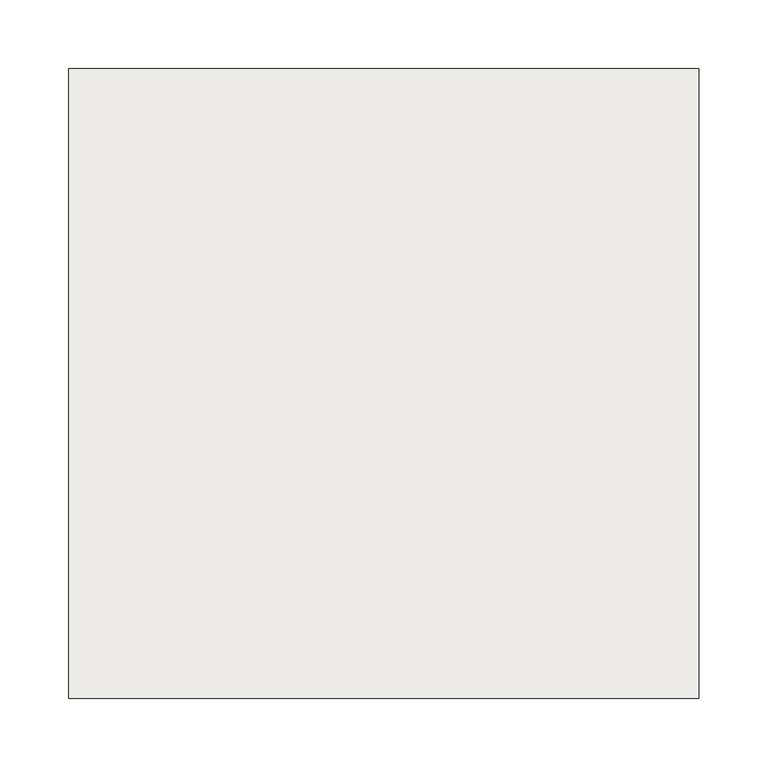
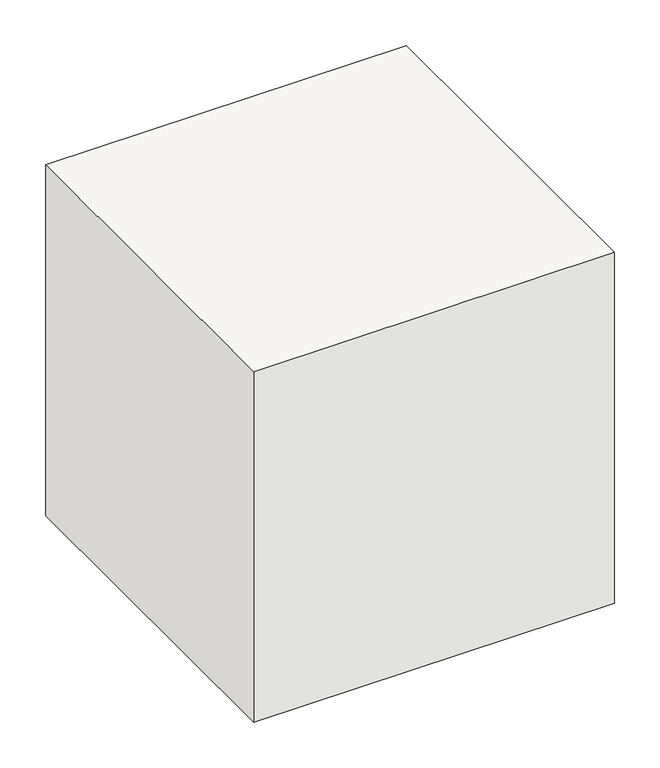
"""IFC4 building model written with IfcOpenShell, lengths in millimetres: slab geometry."""

from ifc_helpers import new_model, si_unit, frame, origin, place, context, project, spatial, polyline, outline, extrude, source, transform, mapped, element, save


def slab_1b3f2835(model_context):
    return source(origin(), model_context, "Body", "SweptSolid", [
        extrude(outline(polyline([(3243.1551397, -9742.2498715), (2785.9551397, -9742.2498715), (2785.9551397, -9285.0498715), (3243.1551397, -9285.0498715), (3243.1551397, -9742.2498715)])), frame((0.0, 0.0, -609.6), z_axis=(0.0, 0.0, 1.0), x_axis=(1.0, 0.0, 0.0)), (0.0, 0.0, 1.0), 469.9),
    ])


if __name__ == "__main__":
    model = new_model("IFC4")
    model_context = context("Model", 3, world=origin())
    ifc_project = project(units=[si_unit("LENGTHUNIT", "METRE", prefix="MILLI")], contexts=[model_context])
    site = spatial("IfcSite", under=ifc_project)
    building = spatial("IfcBuilding", under=site)
    placement = place(None, origin())
    slab_shape = slab_1b3f2835(model_context)
    element("IfcSlab", 1, at=placement, inside=building, context=model_context, shape_type="MappedRepresentation", body=[
        mapped(slab_shape, transform((0.0, 0.0, 0.0), x_axis=(1.0, 0.0, 0.0), y_axis=(0.0, 1.0, 0.0), z_axis=(0.0, 0.0, 1.0))),
    ])
    save(model, "model.ifc")
